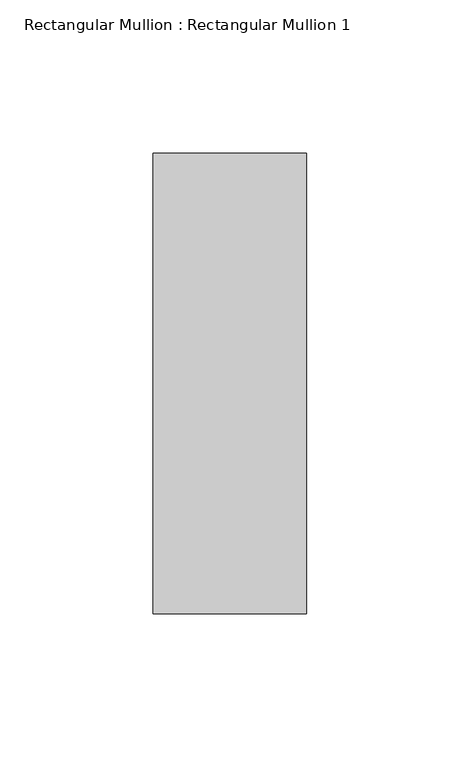
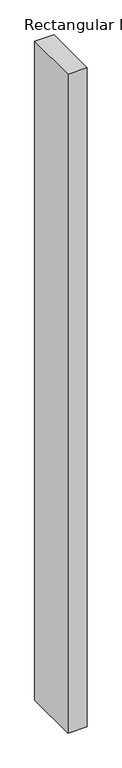
"""IFC4 building model written with IfcOpenShell, lengths in millimetres: member geometry, Rectangular Mullion : Rectangular Mullion 1."""

from ifc_helpers import new_model, si_unit, frame, origin, place, context, project, spatial, polyline, outline, extrude, source, transform, mapped, element, save


def rectangular_mullion_rectangular_mullion_1_6675d828(model_context):
    return source(origin(), model_context, "Body", "SweptSolid", [
        extrude(outline(polyline([(25.0, 75.0), (25.0, -75.0), (-25.0, -75.0), (-25.0, 75.0), (25.0, 75.0)])), frame((0.0, 0.0, -1816.1565351), z_axis=(0.0, 0.0, 1.0), x_axis=(1.0, 0.0, 0.0)), (0.0, 0.0, 1.0), 1816.1565351),
    ])


if __name__ == "__main__":
    model = new_model("IFC4")
    model_context = context("Model", 3, world=origin())
    ifc_project = project(units=[si_unit("LENGTHUNIT", "METRE", prefix="MILLI")], contexts=[model_context])
    site = spatial("IfcSite", under=ifc_project)
    building = spatial("IfcBuilding", under=site)
    placement = place(None, origin())
    rectangular_mullion_rectangular_mullion_1_shape = rectangular_mullion_rectangular_mullion_1_6675d828(model_context)
    element("IfcMember", 1, ObjectType="Rectangular Mullion : Rectangular Mullion 1", at=placement, inside=building, context=model_context, shape_type="MappedRepresentation", body=[
        mapped(rectangular_mullion_rectangular_mullion_1_shape, transform((0.0, 0.0, 0.0), x_axis=(1.0, 0.0, 0.0), y_axis=(0.0, 1.0, 0.0), z_axis=(0.0, 0.0, 1.0))),
    ])
    save(model, "model.ifc")
